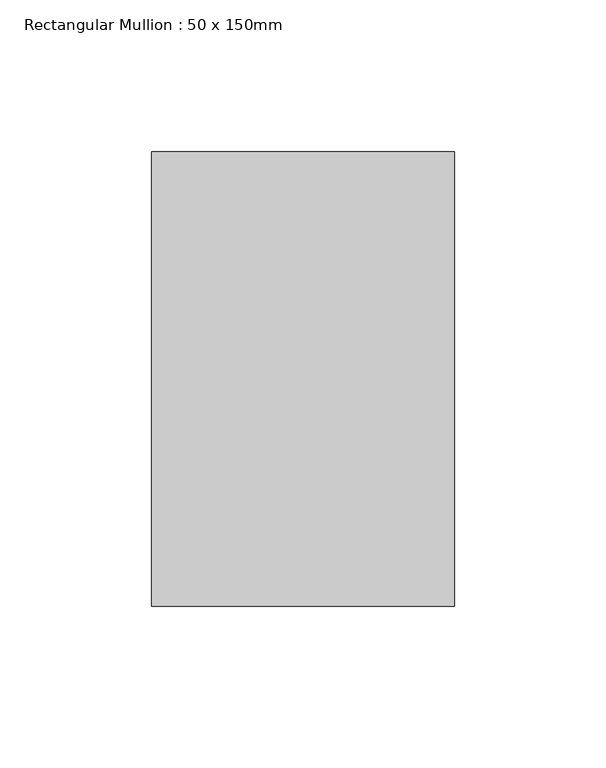
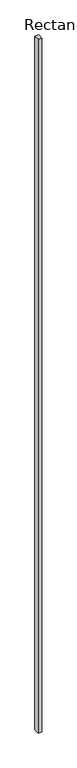
"""IFC4 building model written with IfcOpenShell, lengths in millimetres: member geometry, Rectangular Mullion : 50 x 150mm."""

import ifcopenshell
import ifcopenshell.guid

model = None  # the IFC model being written
_history = None  # IfcOwnerHistory: only IFC2X3 demands one
_inside = {}  # id of a spatial element -> (the spatial element, [elements in it])
_under = {}  # id of a project, library or spatial element -> (it, [spatial elements below it])
_declared = {}  # id of a project -> (the project, [libraries it declares])
_typed = {}  # id of a type object -> (the type object, [elements of that type])
_made_of = {}  # id of a material, layer set ... -> (it, [elements and type objects made of it])


def new_model(schema):
    """Start an empty IFC model of exactly this schema.

    Asked for "IFC4X3", IfcOpenShell would pick the latest addendum, in which some entities
    have other attributes; the version numbers below select the first issue.
    IFC2X3 requires an IfcOwnerHistory on every rooted entity: one is made here for all.
    """
    global model, _history
    if schema == "IFC4X3":
        model = ifcopenshell.file(schema_version=(4, 3, 0, 0))
    else:
        model = ifcopenshell.file(schema=schema)
    _inside.clear()
    _under.clear()
    _declared.clear()
    _typed.clear()
    _made_of.clear()
    _history = None
    if model.schema == "IFC2X3":
        org = make("IfcOrganization", Name="unknown")
        user = make(
            "IfcPersonAndOrganization",
            ThePerson=make("IfcPerson", FamilyName="unknown"),
            TheOrganization=org,
        )
        app = make(
            "IfcApplication",
            ApplicationDeveloper=org,
            Version="unknown",
            ApplicationFullName="unknown",
            ApplicationIdentifier="unknown",
        )
        _history = make(
            "IfcOwnerHistory",
            OwningUser=user,
            OwningApplication=app,
            ChangeAction="ADDED",
            CreationDate=0,
        )
    return model


def make(cls, **values):
    """One entity of the class cls with the attributes given. An attribute that is None is left unset."""
    return model.create_entity(
        cls, **{name: value for name, value in values.items() if value is not None}
    )


def rooted(cls, **values):
    """An entity with a GlobalId (a new one), such as an element, a storey or a relation."""
    return make(cls, GlobalId=ifcopenshell.guid.new(), OwnerHistory=_history, **values)


def si_unit(unit_type, name, prefix=None):
    """IfcSIUnit, for example si_unit("LENGTHUNIT", "METRE", prefix="MILLI")."""
    return make("IfcSIUnit", UnitType=unit_type, Prefix=prefix, Name=name)


def assignment(units):
    """IfcUnitAssignment: the units of a project."""
    return None if units is None else make("IfcUnitAssignment", Units=units)


def point(xyz):
    """IfcCartesianPoint."""
    return None if xyz is None else make("IfcCartesianPoint", Coordinates=xyz)


def direction(xyz):
    """IfcDirection."""
    return None if xyz is None else make("IfcDirection", DirectionRatios=xyz)


def frame(location, z_axis=None, x_axis=None):
    """IfcAxis2Placement3D, a coordinate frame: its origin and axes. An axis left out is left unset."""
    return make(
        "IfcAxis2Placement3D",
        Location=point(location),
        Axis=direction(z_axis),
        RefDirection=direction(x_axis),
    )


def origin():
    """The frame at (0, 0, 0) with its axes left unset."""
    return frame((0.0, 0.0, 0.0))


def place(relative_to, where):
    """IfcLocalPlacement: puts the frame where relative to a parent placement (None: the world)."""
    return make(
        "IfcLocalPlacement", PlacementRelTo=relative_to, RelativePlacement=where
    )


def context(
    kind, dimensions, precision=None, world=None, true_north=None, identifier=None
):
    """IfcGeometricRepresentationContext, for example the 3D "Model" context."""
    return make(
        "IfcGeometricRepresentationContext",
        ContextIdentifier=identifier,
        ContextType=kind,
        CoordinateSpaceDimension=dimensions,
        Precision=precision,
        WorldCoordinateSystem=world,
        TrueNorth=true_north,
    )


def project(units=None, contexts=None):
    """IfcProject with its units and contexts."""
    return rooted(
        "IfcProject",
        Name="project",
        RepresentationContexts=contexts,
        UnitsInContext=assignment(units),
    )


def spatial(cls, under=None, at=None, **own):
    """A site, building, storey or space (cls), placed at a placement, below another one or the project."""
    s = rooted(cls, ObjectPlacement=at, **own)
    if under is not None:
        _under.setdefault(under.id(), (under, []))[1].append(s)
    return s


def polyline(points):
    """IfcPolyline through the points."""
    return make("IfcPolyline", Points=[point(p) for p in points])


def outline(outer, holes=None, kind="AREA"):
    """IfcArbitraryClosedProfileDef: a profile drawn as a closed curve; with holes, ...WithVoids."""
    if holes is None:
        return make("IfcArbitraryClosedProfileDef", ProfileType=kind, OuterCurve=outer)
    return make(
        "IfcArbitraryProfileDefWithVoids",
        ProfileType=kind,
        OuterCurve=outer,
        InnerCurves=holes,
    )


def extrude(swept, where, along, depth):
    """IfcExtrudedAreaSolid: the profile swept, set in the frame where, extruded along a direction by depth."""
    return make(
        "IfcExtrudedAreaSolid",
        SweptArea=swept,
        Position=where,
        ExtrudedDirection=direction(along),
        Depth=depth,
    )


def shape(context_of_items, identifier, shape_type, items):
    """IfcShapeRepresentation: the items that make up one representation, for example the "Body"."""
    return make(
        "IfcShapeRepresentation",
        ContextOfItems=context_of_items,
        RepresentationIdentifier=identifier,
        RepresentationType=shape_type,
        Items=items,
    )


def source(mapping_origin, context_of_items, identifier, shape_type, items):
    """IfcRepresentationMap: a shape defined once, which mapped items show again and again."""
    return make(
        "IfcRepresentationMap",
        MappingOrigin=mapping_origin,
        MappedRepresentation=shape(context_of_items, identifier, shape_type, items),
    )


def transform(
    local_origin,
    x_axis=None,
    y_axis=None,
    z_axis=None,
    scale=None,
    scale2=None,
    scale3=None,
    uniform=True,
):
    """IfcCartesianTransformationOperator3D, or its non-uniform kind. x_axis, y_axis, z_axis: its Axis1, 2, 3."""
    if uniform:
        return make(
            "IfcCartesianTransformationOperator3D",
            Axis1=direction(x_axis),
            Axis2=direction(y_axis),
            LocalOrigin=point(local_origin),
            Scale=scale,
            Axis3=direction(z_axis),
        )
    return make(
        "IfcCartesianTransformationOperator3DnonUniform",
        Axis1=direction(x_axis),
        Axis2=direction(y_axis),
        LocalOrigin=point(local_origin),
        Scale=scale,
        Axis3=direction(z_axis),
        Scale2=scale2,
        Scale3=scale3,
    )


def mapped(mapping_source, mapping_target):
    """IfcMappedItem: shows the shape of a source again, moved by a transform."""
    return make(
        "IfcMappedItem", MappingSource=mapping_source, MappingTarget=mapping_target
    )


def made_of(thing, what):
    """Note that an element or type object is made of a material, layer set ...; save() writes the relation."""
    if what is not None:
        _made_of.setdefault(what.id(), (what, []))[1].append(thing)
    return thing


def element(
    cls,
    number,
    at=None,
    inside=None,
    cuts=None,
    type_object=None,
    material=None,
    context=None,
    identifier="Body",
    shape_type=None,
    held_by="IfcProductDefinitionShape",
    body=None,
    shapes=None,
    **own,
):
    """One element of the class cls, such as IfcWall. Its Tag is "e" and its number.

    at: its placement. inside: the storey or other place that contains it. cuts: it is an
    opening in that element (IfcRelVoidsElement). A single representation is given by context,
    identifier, shape_type and body (its items); several are given by shapes. held_by: the class
    of the entity that holds the representations. save() writes the other relations.
    """
    e = rooted(cls, Tag="e%d" % number, ObjectPlacement=at, **own)
    if body is not None:
        shapes = [shape(context, identifier, shape_type, body)]
    if shapes is not None:
        e.Representation = make(held_by, Representations=shapes)
    if inside is not None:
        _inside.setdefault(inside.id(), (inside, []))[1].append(e)
    if cuts is not None:
        rooted(
            "IfcRelVoidsElement", RelatingBuildingElement=cuts, RelatedOpeningElement=e
        )
    if type_object is not None:
        _typed.setdefault(type_object.id(), (type_object, []))[1].append(e)
    return made_of(e, material)


def aggregate(whole, parts):
    """IfcRelAggregates: a whole, such as a stair, and the parts it consists of."""
    return rooted("IfcRelAggregates", RelatingObject=whole, RelatedObjects=parts)


def save(model, path):
    """Write the relations noted so far, then the file.

    IfcRelAggregates (storeys below a building ...), IfcRelContainedInSpatialStructure (elements
    in a storey), IfcRelDefinesByType, IfcRelAssociatesMaterial and IfcRelDeclares: one each for
    every whole, place, type object, material and project.
    """
    for whole, parts in _under.values():
        aggregate(whole, parts)
    for where, things in _inside.values():
        rooted(
            "IfcRelContainedInSpatialStructure",
            RelatedElements=things,
            RelatingStructure=where,
        )
    for kind, things in _typed.values():
        rooted("IfcRelDefinesByType", RelatedObjects=things, RelatingType=kind)
    for what, things in _made_of.values():
        rooted("IfcRelAssociatesMaterial", RelatedObjects=things, RelatingMaterial=what)
    for by, libraries in _declared.values():
        rooted("IfcRelDeclares", RelatingContext=by, RelatedDefinitions=libraries)
    model.write(path)


def rectangular_mullion_50_x_150mm_24901637(model_context):
    return source(origin(), model_context, "Body", "SweptSolid", [
        extrude(outline(polyline([(0.0, 75.0), (0.0, -75.0), (-100.0, -75.0), (-100.0, 75.0), (0.0, 75.0)])), frame((0.0, 0.0, -19339.4873276), z_axis=(0.0, 0.0, 1.0), x_axis=(1.0, 0.0, 0.0)), (0.0, 0.0, 1.0), 19339.4873276),
    ])


if __name__ == "__main__":
    model = new_model("IFC4")
    model_context = context("Model", 3, world=origin())
    ifc_project = project(units=[si_unit("LENGTHUNIT", "METRE", prefix="MILLI")], contexts=[model_context])
    site = spatial("IfcSite", under=ifc_project)
    building = spatial("IfcBuilding", under=site)
    placement = place(None, origin())
    rectangular_mullion_50_x_150mm_shape = rectangular_mullion_50_x_150mm_24901637(model_context)
    element("IfcMember", 1, ObjectType="Rectangular Mullion : 50 x 150mm", at=placement, inside=building, context=model_context, shape_type="MappedRepresentation", body=[
        mapped(rectangular_mullion_50_x_150mm_shape, transform((0.0, 0.0, 0.0), x_axis=(1.0, 0.0, 0.0), y_axis=(0.0, 1.0, 0.0), z_axis=(0.0, 0.0, 1.0))),
    ])
    save(model, "model.ifc")
